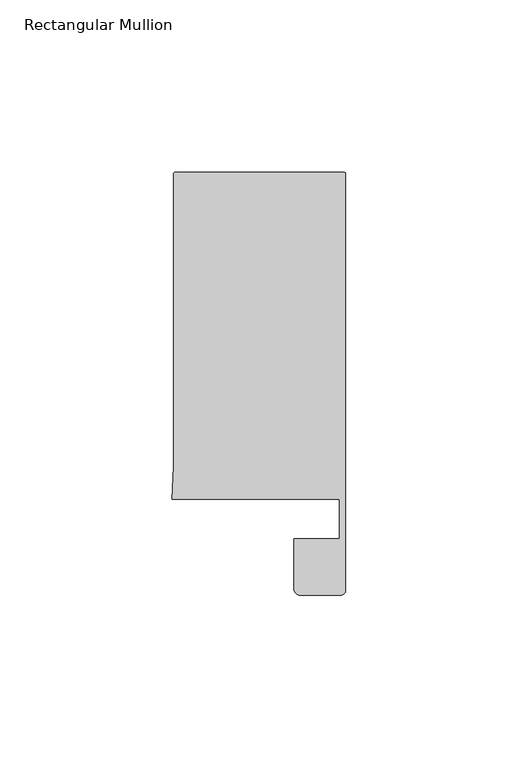
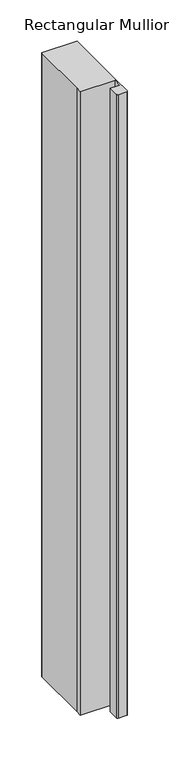
"""IFC4 building model written with IfcOpenShell, lengths in millimetres: member geometry, Rectangular Mullion."""

from ifc_helpers import new_model, si_unit, point, frame, frame_2d, origin, place, context, project, spatial, polyline, circle_curve, trimmed, segment, composite_curve, outline, extrude, source, transform, mapped, element, save


def rectangular_mullion_4c023aa9(model_context):
    return source(origin(), model_context, "Body", "SweptSolid", [
        extrude(outline(composite_curve([segment(trimmed(circle_curve(frame_2d((-0.5, 108.495417)), 0.5), [point((-0.5, 108.995417))], [point((0.0, 108.495417))], False, "CARTESIAN"), True, "CONTINUOUS"), segment(polyline([(0.0, 108.495417), (0.0, 14.0), (0.0, -12.3070793)]), True, "CONTINUOUS"), segment(trimmed(circle_curve(frame_2d((-1.5, -12.3070793)), 1.5), [point((0.0, -12.3070793))], [point((-1.5, -13.8070793))], False, "CARTESIAN"), True, "CONTINUOUS"), segment(polyline([(-1.5, -13.8070793), (-13.2119115, -13.8070793)]), True, "CONTINUOUS"), segment(trimmed(circle_curve(frame_2d((-13.2119115, -12.0189908)), 1.7880885), [point((-13.2119115, -13.8070793))], [point((-15.0, -12.0189908))], False, "CARTESIAN"), True, "CONTINUOUS"), segment(polyline([(-15.0, -12.0189908), (-15.0, 2.6022043), (-1.8, 2.6022043), (-1.8, 14.0), (-50.4480459, 14.0), (-50.0, 23.4856858), (-50.0, 108.495417)]), True, "CONTINUOUS"), segment(trimmed(circle_curve(frame_2d((-49.5, 108.495417)), 0.5), [point((-50.0, 108.495417))], [point((-49.5, 108.995417))], False, "CARTESIAN"), True, "CONTINUOUS"), segment(polyline([(-49.5, 108.995417), (-0.5, 108.995417)]), True, "CONTINUOUS")], self_intersect=False)), frame((0.0, 0.0, -924.1039072), z_axis=(0.0, 0.0, 1.0), x_axis=(1.0, 0.0, 0.0)), (0.0, 0.0, 1.0), 924.1039072),
    ])


if __name__ == "__main__":
    model = new_model("IFC4")
    model_context = context("Model", 3, world=origin())
    ifc_project = project(units=[si_unit("LENGTHUNIT", "METRE", prefix="MILLI")], contexts=[model_context])
    site = spatial("IfcSite", under=ifc_project)
    building = spatial("IfcBuilding", under=site)
    placement = place(None, origin())
    rectangular_mullion_shape = rectangular_mullion_4c023aa9(model_context)
    element("IfcMember", 1, ObjectType="Rectangular Mullion", at=placement, inside=building, context=model_context, shape_type="MappedRepresentation", body=[
        mapped(rectangular_mullion_shape, transform((0.0, 0.0, 0.0), x_axis=(1.0, 0.0, 0.0), y_axis=(0.0, 1.0, 0.0), z_axis=(0.0, 0.0, 1.0))),
    ])
    save(model, "model.ifc")
